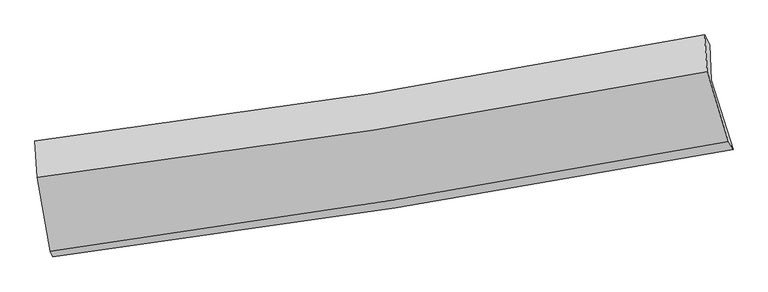
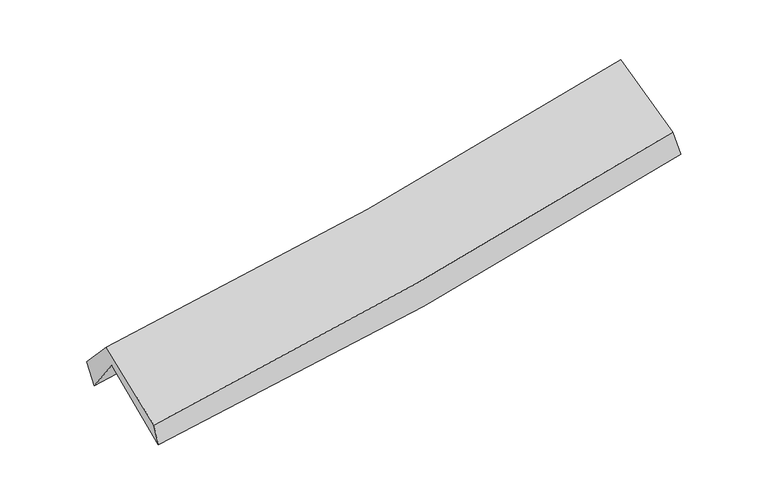
"""IFC4 building model written with IfcOpenShell, lengths in millimetres: proxy geometry."""

from ifc_helpers import new_model, si_unit, frame, origin, place, context, project, spatial, source, transform, mapped, element, save
from ifc_brep_helpers import plane_surface, spline_curve, spline_surface, advanced_brep


def generic_models_e0b46753(model_context):
    return source(origin(), model_context, "Body", "AdvancedBrep", [
        advanced_brep(
        [(-2344.1428882, -2475.3488509, 1501.4423558), (-2440.4823716, -1956.7872879, 1932.0024684), (2365.627657, -1206.9179407, 2357.4698151), (2520.5303252, -1704.4973638, 1932.3784558), (-2449.9389616, -1715.1836572, 1605.536026), (2354.3043678, -955.9844058, 2040.7340689), (-2471.3397523, -1645.4626707, 1789.1021006), (2317.3201444, -884.3482437, 2218.6835787), (-2456.2951429, -1907.2459242, 2071.4550324), (2335.0725582, -1146.9871323, 2503.2739434), (-2359.9669694, -2435.4488114, 1659.7050412), (2486.9502305, -1646.6286595, 2105.5780733)],
        [
            (0, 1),
            (1, 2, spline_curve(3, [(-2440.4823716, -1956.7872879, 1932.0024684), (-1631.89733795, -1855.404165408, 1975.728548217), (-826.279869013, -1742.07078977, 2033.14799855), (775.732548777, -1492.016652328, 2175.082385036), (1572.151755992, -1355.393579023, 2259.485383534), (2365.627657, -1206.9179407, 2357.4698151)], [4, 2, 4], [0.0, 8.079264141918985, 16.125438264923392])),
            (2, 3),
            (3, 0, spline_curve(3, [(2520.5303252, -1704.4973638, 1932.3784558), (1718.192502116, -1855.854412979, 1830.787076448), (912.472984496, -1995.662490971, 1744.123042103), (-709.056881686, -2252.708172845, 1600.354645022), (-1524.895101888, -2369.850590227, 1543.373312805), (-2344.1428882, -2475.3488509, 1501.4423558)], [4, 2, 4], [0.0, 8.046174123004407, 16.125438264923392])),
            (1, 4),
            (4, 5, spline_curve(3, [(-2449.9389616, -1715.1836572, 1605.536026), (-1643.139371374, -1605.061792554, 1655.868130129), (-838.568989883, -1486.587325868, 1717.39803727), (762.827230707, -1233.452629655, 1862.555588857), (1559.671291862, -1098.860679455, 1946.091696018), (2354.3043678, -955.9844058, 2040.7340689)], [4, 2, 4], [0.0, 8.028556474958183, 16.024230612992298])),
            (5, 2),
            (4, 6),
            (6, 7, spline_curve(3, [(-2471.3397523, -1645.4626707, 1789.1021006), (-1665.631914002, -1546.184246375, 1840.832059568), (-862.910242304, -1432.960120352, 1902.589490043), (733.285312494, -1179.141311197, 2045.865286119), (1526.783606435, -1038.66062825, 2127.301681819), (2317.3201444, -884.3482437, 2218.6835787)], [4, 2, 4], [0.0, 8.01603402823384, 15.99923700738266])),
            (7, 5),
            (6, 8),
            (8, 9, spline_curve(3, [(-2456.2951429, -1907.2459242, 2071.4550324), (-1650.233359162, -1806.33077284, 2121.801140115), (-847.108500849, -1692.361558286, 2183.055283641), (749.99005824, -1438.835249841, 2327.084089117), (1543.987766769, -1299.384866795, 2409.769582787), (2335.0725582, -1146.9871323, 2503.2739434)], [4, 2, 4], [0.0, 8.00591566265123, 15.979041717727787])),
            (9, 7),
            (8, 10),
            (10, 11, spline_curve(3, [(-2359.9669694, -2435.4488114, 1659.7050412), (-1544.980925833, -2323.804250295, 1714.936755363), (-732.754951213, -2202.091448314, 1779.804677476), (882.861553268, -1939.069094263, 1928.507793616), (1686.274644998, -1797.841845537, 2012.264215257), (2486.9502305, -1646.6286595, 2105.5780733)], [4, 2, 4], [0.0, 8.057393513755992, 16.081786583524885])),
            (11, 9),
            (10, 0),
            (3, 11),
        ],
        [
            spline_surface(3, 3, [[(-2344.1428882, -2475.3488509, 1501.4423558), (-1524.895101781, -2369.850590333, 1543.373312715), (-709.056881636, -2252.708172749, 1600.354645055), (912.472984446, -1995.662491066, 1744.12304207), (1718.192502059, -1855.854412957, 1830.7870764), (2520.5303252, -1704.4973638, 1932.3784558)], [(-2376.256049341, -2302.494996556, 1644.962393323), (-1560.562513836, -2198.368448687, 1687.491724581), (-748.131210731, -2082.495711732, 1744.619096245), (866.892839206, -1827.780544857, 1887.776156359), (1669.512253322, -1689.034134996, 1973.686512108), (2468.89610245, -1538.637556085, 2074.075575553)], [(-2408.369210459, -2129.641142244, 1788.482430877), (-1596.22992587, -2026.886307074, 1831.610136477), (-787.205539846, -1912.283250696, 1888.883547447), (821.312693946, -1659.898598629, 2031.42927066), (1620.832004634, -1522.21385708, 2116.585947857), (2417.26187975, -1372.777748415, 2215.772695347)], [(-2440.4823716, -1956.7872879, 1932.0024684), (-1631.897337925, -1855.404165429, 1975.728548343), (-826.279868941, -1742.070789678, 2033.147998637), (775.732548705, -1492.016652419, 2175.082384949), (1572.151755897, -1355.393579119, 2259.485383565), (2365.627657, -1206.9179407, 2357.4698151)]], [4, 4], [4, 2, 4], [0.0, 2.224791138856677], [0.0, 8.079264141918985, 16.125438264923392]),
            spline_surface(3, 3, [[(-2440.4823716, -1956.7872879, 1932.0024684), (-1631.897337925, -1855.404165429, 1975.728548343), (-826.279868941, -1742.070789678, 2033.147998637), (775.732548705, -1492.016652419, 2175.082384949), (1572.151755897, -1355.393579119, 2259.485383565), (2365.627657, -1206.9179407, 2357.4698151)], [(-2443.634568271, -1876.252744345, 1823.180320929), (-1635.644682446, -1771.956707835, 1869.108408936), (-830.376242535, -1656.909635046, 1927.898011535), (771.430776007, -1405.828644849, 2070.906786255), (1567.991601253, -1269.882612567, 2155.020821036), (2361.853227272, -1123.273429083, 2251.891233041)], [(-2446.786764929, -1795.718200755, 1714.358173471), (-1639.392026955, -1688.509250205, 1762.488269542), (-834.472616161, -1571.748480429, 1822.648024398), (767.129003278, -1319.640637296, 1966.731187524), (1563.831446593, -1184.371645967, 2050.556258485), (2358.078797528, -1039.628917417, 2146.312650959)], [(-2449.9389616, -1715.1836572, 1605.536026), (-1643.139371476, -1605.061792612, 1655.868130135), (-838.568989755, -1486.587325797, 1717.398037297), (762.82723058, -1233.452629726, 1862.55558883), (1559.671291949, -1098.860679416, 1946.091695956), (2354.3043678, -955.9844058, 2040.7340689)]], [4, 4], [4, 2, 4], [0.0, 1.3322944504573369], [0.0, 8.028556474958183, 16.024230612992298]),
            spline_surface(3, 3, [[(-2449.9389616, -1715.1836572, 1605.536026), (-1643.139371476, -1605.061792612, 1655.868130135), (-838.568989755, -1486.587325797, 1717.398037297), (762.82723058, -1233.452629726, 1862.55558883), (1559.671291949, -1098.860679416, 1946.091695956), (2354.3043678, -955.9844058, 2040.7340689)], [(-2457.072558491, -1691.943328364, 1666.724717548), (-1650.636885622, -1585.435943833, 1717.522773281), (-846.68274064, -1468.71159064, 1779.128521519), (752.979924569, -1215.348856887, 1923.658821309), (1548.708730154, -1078.793995668, 2006.4950246), (2341.976293341, -932.105685103, 2100.050572176)], [(-2464.206155409, -1668.702999536, 1727.913409052), (-1658.134399795, -1565.81009506, 1779.177416382), (-854.796491498, -1450.835855489, 1840.859005706), (743.132618584, -1197.245084055, 1984.762053753), (1537.746168337, -1058.727311911, 2066.898353218), (2329.648218859, -908.226964397, 2159.367075424)], [(-2471.3397523, -1645.4626707, 1789.1021006), (-1665.63191394, -1546.184246281, 1840.832059528), (-862.910242383, -1432.960120332, 1902.589489929), (733.285312573, -1179.141311217, 2045.865286232), (1526.783606543, -1038.660628163, 2127.301681863), (2317.3201444, -884.3482437, 2218.6835787)]], [4, 4], [4, 2, 4], [0.0, 0.6360727350772389], [0.0, 8.01603402823384, 15.99923700738266]),
            spline_surface(3, 3, [[(-2471.3397523, -1645.4626707, 1789.1021006), (-1665.63191394, -1546.184246281, 1840.832059528), (-862.910242383, -1432.960120332, 1902.589489929), (733.285312573, -1179.141311217, 2045.865286232), (1526.783606543, -1038.660628163, 2127.301681863), (2317.3201444, -884.3482437, 2218.6835787)], [(-2466.324882492, -1732.723755175, 1883.219744533), (-1660.499062357, -1632.899755081, 1934.488419734), (-857.642995165, -1519.427266354, 1996.078087804), (738.853561113, -1265.705957402, 2139.60488717), (1532.518326592, -1125.568707701, 2221.457648782), (2323.237615642, -971.8945399, 2313.547033584)], [(-2461.310012708, -1819.984839725, 1977.337388467), (-1655.366210796, -1719.615263956, 2028.144779942), (-852.375747983, -1605.894412355, 2089.566685758), (744.421809616, -1352.270603565, 2233.344488186), (1538.253046716, -1212.476787238, 2315.613615748), (2329.155086958, -1059.4408361, 2408.410488516)], [(-2456.2951429, -1907.2459242, 2071.4550324), (-1650.233359212, -1806.330772756, 2121.801140149), (-847.108500764, -1692.361558377, 2183.055283634), (749.990058155, -1438.83524975, 2327.084089123), (1543.987766765, -1299.384866776, 2409.769582666), (2335.0725582, -1146.9871323, 2503.2739434)]], [4, 4], [4, 2, 4], [0.0, 1.2557533705836692], [0.0, 8.00591566265123, 15.979041717727787]),
            spline_surface(3, 3, [[(-2456.2951429, -1907.2459242, 2071.4550324), (-1650.233359212, -1806.330772756, 2121.801140149), (-847.108500764, -1692.361558377, 2183.055283634), (749.990058155, -1438.83524975, 2327.084089123), (1543.987766765, -1299.384866776, 2409.769582666), (2335.0725582, -1146.9871323, 2503.2739434)], [(-2424.185751742, -2083.31355329, 1934.20503533), (-1615.149214743, -1978.821931987, 1986.179678566), (-808.990650898, -1862.271521695, 2048.638414984), (794.280556474, -1605.579864552, 2194.225323941), (1591.416726232, -1465.537193039, 2277.267793568), (2385.698448991, -1313.534308033, 2370.70865338)], [(-2392.076360558, -2259.38118231, 1796.95503827), (-1580.065070246, -2151.313091148, 1850.558216992), (-770.872800977, -2032.181485057, 1914.221546249), (838.571054847, -1772.324479399, 2061.366558675), (1638.845685626, -1631.689519303, 2144.766004431), (2436.324339709, -1480.081483767, 2238.14336332)], [(-2359.9669694, -2435.4488114, 1659.7050412), (-1544.980925776, -2323.804250379, 1714.936755409), (-732.754951111, -2202.091448375, 1779.804677599), (882.861553166, -1939.069094202, 1928.507793493), (1686.274645092, -1797.841845566, 2012.264215333), (2486.9502305, -1646.6286595, 2105.5780733)]], [4, 4], [4, 2, 4], [0.0, 2.1539816251150685], [0.0, 8.057393513755992, 16.081786583524885]),
            spline_surface(3, 3, [[(-2359.9669694, -2435.4488114, 1659.7050412), (-1544.980925776, -2323.804250379, 1714.936755409), (-732.754951111, -2202.091448375, 1779.804677599), (882.861553166, -1939.069094202, 1928.507793493), (1686.274645092, -1797.841845566, 2012.264215333), (2486.9502305, -1646.6286595, 2105.5780733)], [(-2354.692275663, -2448.74882457, 1606.950812737), (-1538.285651107, -2339.153030366, 1657.748941181), (-724.855594622, -2218.963689843, 1719.988000063), (892.732030257, -1957.933559833, 1867.046209664), (1696.913930752, -1817.179368026, 1951.771835689), (2498.143595404, -1665.918227596, 2047.844867466)], [(-2349.417581937, -2462.04883773, 1554.196584263), (-1531.59037645, -2354.501810345, 1600.561126944), (-716.956238125, -2235.835931282, 1660.171322592), (902.602507355, -1976.798025435, 1805.5846259), (1707.553216399, -1836.516890497, 1891.279456045), (2509.336960296, -1685.207795704, 1990.111661634)], [(-2344.1428882, -2475.3488509, 1501.4423558), (-1524.895101781, -2369.850590333, 1543.373312715), (-709.056881636, -2252.708172749, 1600.354645055), (912.472984446, -1995.662491066, 1744.12304207), (1718.192502059, -1855.854412957, 1830.7870764), (2520.5303252, -1704.4973638, 1932.3784558)]], [4, 4], [4, 2, 4], [0.0, 0.6282807783209841], [0.0, 8.118191678594266, 16.203133903837568]),
            plane_surface(frame((2396.6342139, -1257.5606243, 2193.0196559), z_axis=(0.972488718093083, 0.1982603288150468, 0.12230509065374873), x_axis=(0.23137719847107735, -0.7611761162596639, -0.6058675697407235))),
            plane_surface(frame((-2420.3610144, -2022.5795337, 1759.8738374), z_axis=(-0.9894635432569743, -0.12860101060814066, -0.066510725720888), x_axis=(-0.09649997526611274, 0.2433223625665599, 0.9651331424465058))),
        ],
        [
            (0, [[1, 2, 3, 4]]),
            (1, [[5, 6, 7, -2]]),
            (2, [[8, 9, 10, -6]]),
            (3, [[11, 12, 13, -9]]),
            (4, [[14, 15, 16, -12]]),
            (5, [[17, -4, 18, -15]]),
            (6, [[-16, -18, -3, -7, -10, -13]]),
            (7, [[-17, -14, -11, -8, -5, -1]]),
        ],
    ),
    ])


if __name__ == "__main__":
    model = new_model("IFC4")
    model_context = context("Model", 3, world=origin())
    ifc_project = project(units=[si_unit("LENGTHUNIT", "METRE", prefix="MILLI")], contexts=[model_context])
    site = spatial("IfcSite", under=ifc_project)
    building = spatial("IfcBuilding", under=site)
    placement = place(None, origin())
    generic_models_shape = generic_models_e0b46753(model_context)
    element("IfcBuildingElementProxy", 1, Name="Generic Models", at=placement, inside=building, context=model_context, shape_type="MappedRepresentation", body=[
        mapped(generic_models_shape, transform((0.0, 0.0, 0.0), x_axis=(1.0, 0.0, 0.0), y_axis=(0.0, 1.0, 0.0), z_axis=(0.0, 0.0, 1.0))),
    ])
    save(model, "model.ifc")
